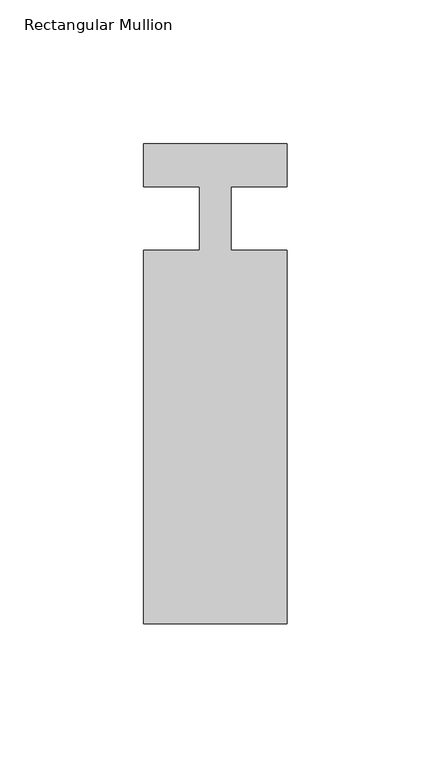
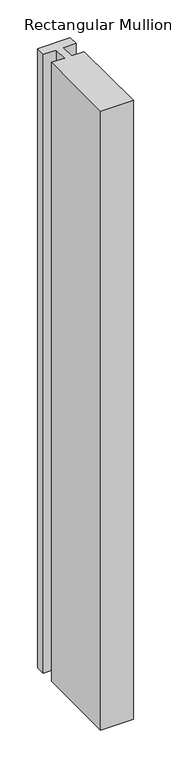
"""IFC4 building model written with IfcOpenShell, lengths in millimetres: member geometry, Rectangular Mullion."""

from ifc_helpers import new_model, si_unit, frame, origin, place, context, project, spatial, polyline, outline, extrude, source, transform, mapped, element, save


def rectangular_mullion_11a68b57(model_context):
    return source(origin(), model_context, "Body", "SweptSolid", [
        extrude(outline(polyline([(-50.0, -141.0), (-50.0, -11.0), (-30.5, -11.0), (-30.5, 11.0), (-50.0, 11.0), (-50.0, 26.0), (0.0, 26.0), (0.0, 11.0), (-19.5000002, 11.0), (-19.5000002, -11.0), (0.0, -11.0), (0.0, -141.0), (-50.0, -141.0)])), frame((0.0, 0.0, -1000.0), z_axis=(0.0, 0.0, 1.0), x_axis=(1.0, 0.0, 0.0)), (0.0, 0.0, 1.0), 1000.0),
    ])


if __name__ == "__main__":
    model = new_model("IFC4")
    model_context = context("Model", 3, world=origin())
    ifc_project = project(units=[si_unit("LENGTHUNIT", "METRE", prefix="MILLI")], contexts=[model_context])
    site = spatial("IfcSite", under=ifc_project)
    building = spatial("IfcBuilding", under=site)
    placement = place(None, origin())
    rectangular_mullion_shape = rectangular_mullion_11a68b57(model_context)
    element("IfcMember", 1, ObjectType="Rectangular Mullion", at=placement, inside=building, context=model_context, shape_type="MappedRepresentation", body=[
        mapped(rectangular_mullion_shape, transform((0.0, 0.0, 0.0), x_axis=(1.0, 0.0, 0.0), y_axis=(0.0, 1.0, 0.0), z_axis=(0.0, 0.0, 1.0))),
    ])
    save(model, "model.ifc")
